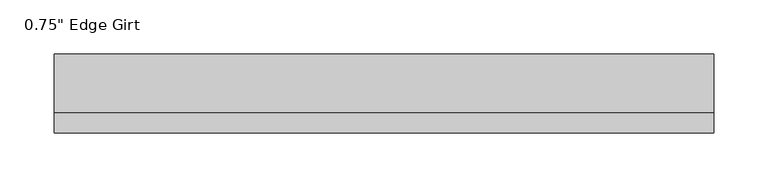
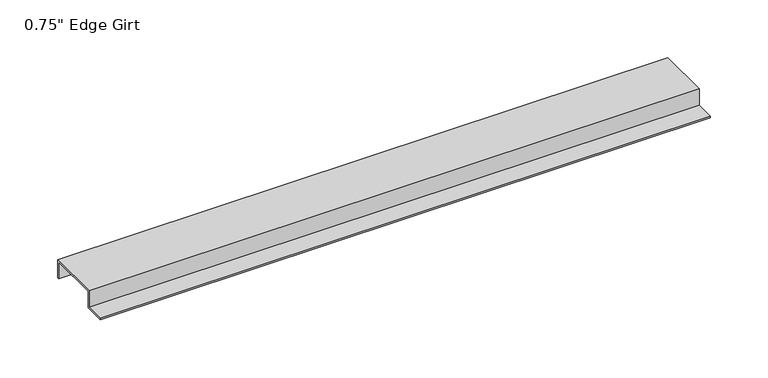
"""IFC4 building model written with IfcOpenShell, lengths in millimetres: proxy geometry."""

from ifc_helpers import new_model, si_unit, frame, origin, place, context, project, spatial, polyline, outline, extrude, source, transform, mapped, element, save


def proxy_68b21a57(model_context):
    return source(origin(), model_context, "Body", "SweptSolid", [
        extrude(outline(polyline([(-46.0559645, -17.4375), (-46.0559645, -15.8242), (-27.0129, -15.8242), (-27.0129, 1.6129), (27.0129, 1.6129), (27.0129, -17.4375), (25.4, -17.4375), (25.4, 0.0), (-25.4, 0.0), (-25.4, -17.4375), (-46.0559645, -17.4375)])), frame((0.0, 0.0, 0.0), z_axis=(1.0, 0.0, 0.0), x_axis=(0.0, 1.0, 0.0)), (0.0, 0.0, 1.0), 609.6),
    ])


if __name__ == "__main__":
    model = new_model("IFC4")
    model_context = context("Model", 3, world=origin())
    ifc_project = project(units=[si_unit("LENGTHUNIT", "METRE", prefix="MILLI")], contexts=[model_context])
    site = spatial("IfcSite", under=ifc_project)
    building = spatial("IfcBuilding", under=site)
    placement = place(None, origin())
    proxy_shape = proxy_68b21a57(model_context)
    element("IfcBuildingElementProxy", 1, Name="0.75\" Edge Girt", ObjectType="0.75\" Edge Girt", at=placement, inside=building, context=model_context, shape_type="MappedRepresentation", body=[
        mapped(proxy_shape, transform((0.0, 0.0, 0.0), x_axis=(1.0, 0.0, 0.0), y_axis=(0.0, 1.0, 0.0), z_axis=(0.0, 0.0, 1.0))),
    ])
    save(model, "model.ifc")
